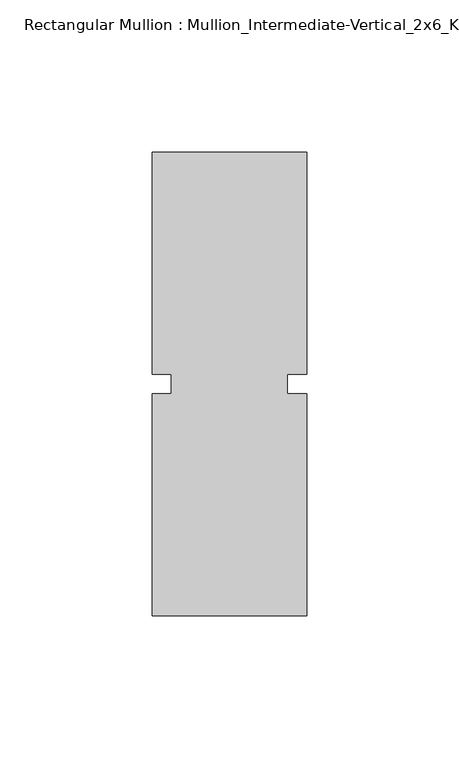
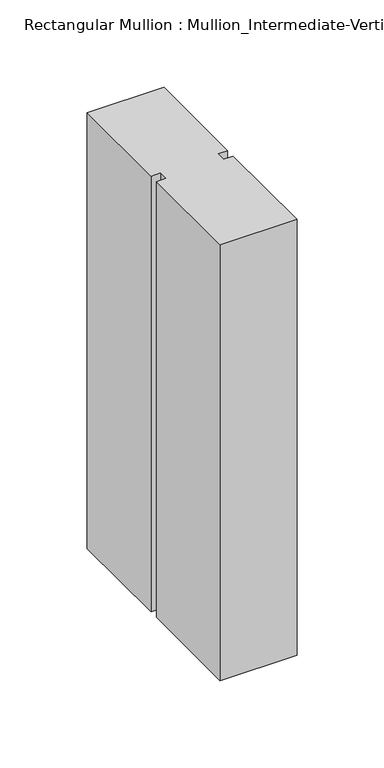
"""IFC4 building model written with IfcOpenShell, lengths in millimetres: member geometry, Rectangular Mullion : Mullion_Intermediate-Vertical_2x6_Kawneer."""

from ifc_helpers import new_model, si_unit, frame, origin, place, context, project, spatial, polyline, outline, extrude, source, transform, mapped, element, save


def rectangular_mullion_mullion_intermediate_vertical_2x6_cbd4d741(model_context):
    return source(origin(), model_context, "Body", "SweptSolid", [
        extrude(outline(polyline([(25.4, -76.2), (-25.4, -76.2), (-25.4, -3.175), (-19.05, -3.175), (-19.05, 3.175), (-25.4, 3.175), (-25.4, 76.2), (25.4, 76.2), (25.4, 3.175), (19.05, 3.175), (19.05, -3.175), (25.4, -3.175), (25.4, -76.2)])), frame((0.0, 0.0, -304.8), z_axis=(0.0, 0.0, 1.0), x_axis=(1.0, 0.0, 0.0)), (0.0, 0.0, 1.0), 304.8),
    ])


if __name__ == "__main__":
    model = new_model("IFC4")
    model_context = context("Model", 3, world=origin())
    ifc_project = project(units=[si_unit("LENGTHUNIT", "METRE", prefix="MILLI")], contexts=[model_context])
    site = spatial("IfcSite", under=ifc_project)
    building = spatial("IfcBuilding", under=site)
    placement = place(None, origin())
    rectangular_mullion_mullion_intermediate_vertical_2x6_shape = rectangular_mullion_mullion_intermediate_vertical_2x6_cbd4d741(model_context)
    element("IfcMember", 1, ObjectType="Rectangular Mullion : Mullion_Intermediate-Vertical_2x6_Kawneer", at=placement, inside=building, context=model_context, shape_type="MappedRepresentation", body=[
        mapped(rectangular_mullion_mullion_intermediate_vertical_2x6_shape, transform((0.0, 0.0, 0.0), x_axis=(1.0, 0.0, 0.0), y_axis=(0.0, 1.0, 0.0), z_axis=(0.0, 0.0, 1.0))),
    ])
    save(model, "model.ifc")
